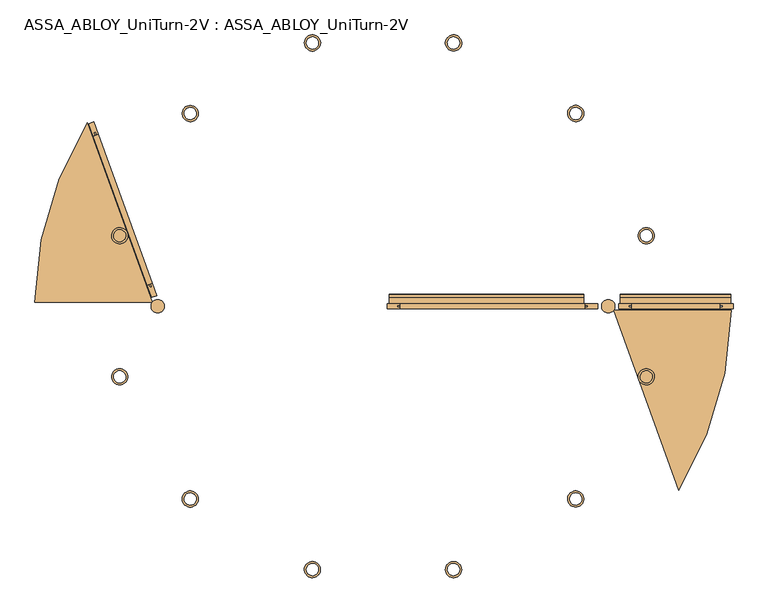
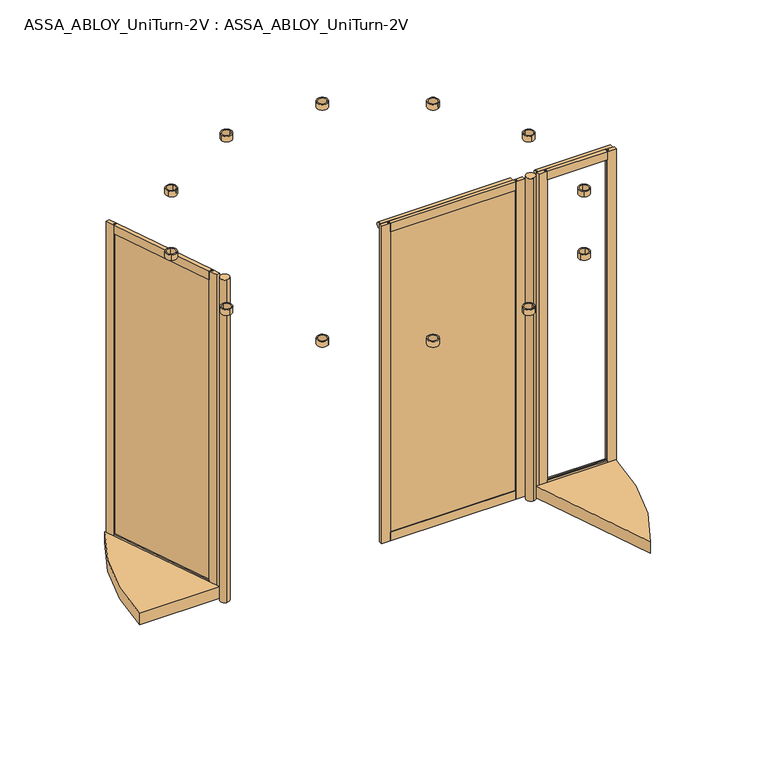
"""IFC4 building model written with IfcOpenShell, lengths in millimetres: door geometry, ASSA_ABLOY_UniTurn-2V : ASSA_ABLOY_UniTurn-2V."""

from ifc_helpers import new_model, si_unit, point, frame, frame_2d, origin, origin_with_axes, place, context, project, spatial, polyline, circle_curve, trimmed, segment, composite_curve, outline, extrude, source, transform, mapped, element, save


def assa_abloy_uniturn_2v_assa_abloy_uniturn_2v_79593515(model_context):
    return source(origin(), model_context, "Body", "SweptSolid", [
        extrude(outline(polyline([(-13.0, 2486.0), (13.0, 2486.0), (13.0, 2421.0), (5.0, 2421.0), (5.0, 2436.0), (-5.0, 2436.0), (-5.0, 2421.0), (-13.0, 2421.0), (-13.0, 2486.0)])), frame((1356.6, 0.0, 0.0), z_axis=(1.0, 0.0, 0.0), x_axis=(0.0, 1.0, 0.0)), (0.0, 0.0, 1.0), 437.4),
        extrude(outline(polyline([(13.0, 105.0), (13.0, 40.0), (-13.0, 40.0), (-13.0, 105.0), (-5.0, 105.0), (-5.0, 90.0), (5.0, 90.0), (5.0, 105.0), (13.0, 105.0)])), frame((1356.6, 0.0, 0.0), z_axis=(1.0, 0.0, 0.0), x_axis=(0.0, 1.0, 0.0)), (0.0, 0.0, 1.0), 437.4),
        extrude(outline(polyline([(1794.0, 13.0), (1859.0, 13.0), (1859.0, -13.0), (1794.0, -13.0), (1794.0, -5.0), (1809.0, -5.0), (1809.0, 5.0), (1794.0, 5.0), (1794.0, 13.0)])), frame((0.0, 0.0, 40.0), z_axis=(0.0, 0.0, 1.0), x_axis=(1.0, 0.0, 0.0)), (0.0, 0.0, 1.0), 2446.0),
        extrude(outline(polyline([(1356.6, 13.0), (1356.6, 5.0), (1341.6, 5.0), (1341.6, -5.0), (1356.6, -5.0), (1356.6, -13.0), (1291.6, -13.0), (1291.6, 13.0), (1356.6, 13.0)])), frame((0.0, 0.0, 40.0), z_axis=(0.0, 0.0, 1.0), x_axis=(1.0, 0.0, 0.0)), (0.0, 0.0, 1.0), 2446.0),
        extrude(outline(polyline([(13.0, 2486.0), (42.9913329, 2486.0), (42.9913329, 2483.0), (15.9913329, 2483.0), (15.9913329, 2437.8850542), (13.0, 2437.8850542), (13.0, 2486.0)])), frame((1300.6, 0.0, 0.0), z_axis=(1.0, 0.0, 0.0), x_axis=(0.0, 1.0, 0.0)), (0.0, 0.0, 1.0), 547.4),
        extrude(outline(composite_curve([segment(trimmed(circle_curve(frame_2d((49.9982937, 2460.5)), 10.0), [point((59.546092, 2463.4731378))], [point((59.546092, 2457.5268622))], False, "CARTESIAN"), True, "CONTINUOUS"), segment(trimmed(circle_curve(frame_2d((32.8695926, 2465.8337939)), 27.9399487), [point((59.546092, 2457.5268622))], [point((57.511364, 2452.6647456))], False, "CARTESIAN"), True, "CONTINUOUS"), segment(trimmed(circle_curve(frame_2d((32.8695926, 2465.8337939)), 27.9399487), [point((57.511364, 2452.6647456))], [point((35.3028312, 2438.0))], False, "CARTESIAN"), True, "CONTINUOUS"), segment(polyline([(35.3028312, 2438.0), (15.9913329, 2438.0), (15.9913329, 2483.0), (35.3028312, 2483.0)]), True, "CONTINUOUS"), segment(trimmed(circle_curve(frame_2d((32.8695926, 2455.1662061)), 27.9399487), [point((35.3028312, 2483.0))], [point((59.546092, 2463.4731378))], False, "CARTESIAN"), True, "CONTINUOUS")], self_intersect=False)), frame((1300.6, 0.0, 0.0), z_axis=(1.0, 0.0, 0.0), x_axis=(0.0, 1.0, 0.0)), (0.0, 0.0, 1.0), 547.4),
        extrude(outline(polyline([(-1020.3259997, 96.5821419), (-1029.7294749, 93.1799876), (-1307.1859526, 860.0632177), (-1297.7824774, 863.465372), (-1020.3259997, 96.5821419)])), frame((0.0, 0.0, 90.0), z_axis=(0.0, 0.0, 1.0), x_axis=(1.0, 0.0, 0.0)), (0.0, 0.0, 1.0), 2346.0),
        extrude(outline(polyline([(-26.0, 0.0), (0.0, 0.0), (0.0, -65.0), (-8.0, -65.0), (-8.0, -50.0), (-18.0, -50.0), (-18.0, -65.0), (-26.0, -65.0), (-26.0, 0.0)])), frame((-1042.3554865, 104.5634769, 2486.0), z_axis=(-0.3402154337922676, 0.9403475201272875, 0.0), x_axis=(-0.9403475201272875, -0.3402154337922676, 0.0)), (0.0, 0.0, 1.0), 785.5317195),
        extrude(outline(polyline([(-65.0, 0.0), (0.0, 0.0), (0.0, -26.0), (-65.0, -26.0), (-65.0, -18.0), (-50.0, -18.0), (-50.0, -8.0), (-65.0, -8.0), (-65.0, 0.0)])), frame((-1042.3554865, 104.5634769, 40.0), z_axis=(-0.3402154337922676, 0.9403475201272875, 0.0), x_axis=(0.0, 0.0, -1.0)), (0.0, 0.0, 1.0), 785.5317195),
        extrude(outline(polyline([(-1042.3554865, 104.5634769), (-1034.8327064, 107.2852004), (-1029.7294749, 93.1799876), (-1020.3259997, 96.5821419), (-1025.4292312, 110.6873548), (-1017.906451, 113.4090782), (-995.7924478, 52.2864894), (-1020.2414833, 43.4408881), (-1042.3554865, 104.5634769)])), frame((0.0, 0.0, 40.0), z_axis=(0.0, 0.0, 1.0), x_axis=(1.0, 0.0, 0.0)), (0.0, 0.0, 1.0), 2446.0),
        extrude(outline(polyline([(-1309.6055013, 843.2362814), (-1331.7195045, 904.3588702), (-1307.2704689, 913.2044715), (-1285.1564657, 852.0818827), (-1292.6792459, 849.3601592), (-1297.7824774, 863.465372), (-1307.1859526, 860.0632177), (-1302.0827211, 845.9580049), (-1309.6055013, 843.2362814)])), frame((0.0, 0.0, 40.0), z_axis=(0.0, 0.0, 1.0), x_axis=(1.0, 0.0, 0.0)), (0.0, 0.0, 1.0), 2446.0),
        extrude(outline(polyline([(1139.8, -5.0), (195.85, -5.0), (195.85, 5.0), (1139.8, 5.0), (1139.8, -5.0)])), frame((0.0, 0.0, 90.0), z_axis=(0.0, 0.0, 1.0), x_axis=(1.0, 0.0, 0.0)), (0.0, 0.0, 1.0), 2346.0),
        extrude(outline(polyline([(-13.0, 2486.0), (13.0, 2486.0), (13.0, 2421.0), (5.0, 2421.0), (5.0, 2436.0), (-5.0, 2436.0), (-5.0, 2421.0), (-13.0, 2421.0), (-13.0, 2486.0)])), frame((210.85, 0.0, 0.0), z_axis=(1.0, 0.0, 0.0), x_axis=(0.0, 1.0, 0.0)), (0.0, 0.0, 1.0), 913.95),
        extrude(outline(polyline([(13.0, 105.0), (13.0, 40.0), (-13.0, 40.0), (-13.0, 105.0), (-5.0, 105.0), (-5.0, 90.0), (5.0, 90.0), (5.0, 105.0), (13.0, 105.0)])), frame((210.85, 0.0, 0.0), z_axis=(1.0, 0.0, 0.0), x_axis=(0.0, 1.0, 0.0)), (0.0, 0.0, 1.0), 913.95),
        extrude(outline(polyline([(1124.8, 13.0), (1189.8, 13.0), (1189.8, -13.0), (1124.8, -13.0), (1124.8, -5.0), (1139.8, -5.0), (1139.8, 5.0), (1124.8, 5.0), (1124.8, 13.0)])), frame((0.0, 0.0, 40.0), z_axis=(0.0, 0.0, 1.0), x_axis=(1.0, 0.0, 0.0)), (0.0, 0.0, 1.0), 2446.0),
        extrude(outline(polyline([(210.85, 13.0), (210.85, 5.0), (195.85, 5.0), (195.85, -5.0), (210.85, -5.0), (210.85, -13.0), (145.85, -13.0), (145.85, 13.0), (210.85, 13.0)])), frame((0.0, 0.0, 40.0), z_axis=(0.0, 0.0, 1.0), x_axis=(1.0, 0.0, 0.0)), (0.0, 0.0, 1.0), 2446.0),
        extrude(outline(polyline([(13.0, 2486.0), (42.9913329, 2486.0), (42.9913329, 2483.0), (15.9913329, 2483.0), (15.9913329, 2437.8850542), (13.0, 2437.8850542), (13.0, 2486.0)])), frame((154.85, 0.0, 0.0), z_axis=(1.0, 0.0, 0.0), x_axis=(0.0, 1.0, 0.0)), (0.0, 0.0, 1.0), 964.68),
        extrude(outline(composite_curve([segment(trimmed(circle_curve(frame_2d((49.9982937, 2460.5)), 10.0), [point((59.546092, 2463.4731378))], [point((59.546092, 2457.5268622))], False, "CARTESIAN"), True, "CONTINUOUS"), segment(trimmed(circle_curve(frame_2d((32.8695926, 2465.8337939)), 27.9399487), [point((59.546092, 2457.5268622))], [point((57.511364, 2452.6647456))], False, "CARTESIAN"), True, "CONTINUOUS"), segment(trimmed(circle_curve(frame_2d((32.8695926, 2465.8337939)), 27.9399487), [point((57.511364, 2452.6647456))], [point((35.3028312, 2438.0))], False, "CARTESIAN"), True, "CONTINUOUS"), segment(polyline([(35.3028312, 2438.0), (15.9913329, 2438.0), (15.9913329, 2483.0), (35.3028312, 2483.0)]), True, "CONTINUOUS"), segment(trimmed(circle_curve(frame_2d((32.8695926, 2455.1662061)), 27.9399487), [point((35.3028312, 2483.0))], [point((59.546092, 2463.4731378))], False, "CARTESIAN"), True, "CONTINUOUS")], self_intersect=False)), frame((154.85, 0.0, 0.0), z_axis=(1.0, 0.0, 0.0), x_axis=(0.0, 1.0, 0.0)), (0.0, 0.0, 1.0), 964.68),
        extrude(outline(composite_curve([segment(trimmed(circle_curve(frame_2d((125.0, 0.0)), 1724.0), [point((1848.8839868, -20.0))], [point((1589.1470738, -910.1919283))], False, "CARTESIAN"), True, "CONTINUOUS"), segment(polyline([(1589.1470738, -910.1919283), (1267.0778105, -20.0), (1848.8839868, -20.0)]), True, "CONTINUOUS")], self_intersect=False)), frame((0.0, 0.0, 8.0), z_axis=(0.0, 0.0, 1.0), x_axis=(1.0, 0.0, 0.0)), (0.0, 0.0, 1.0), 87.0),
        extrude(outline(composite_curve([segment(trimmed(circle_curve(frame_2d((125.0, 0.0)), 1724.0), [point((-1598.8839868, 20.0))], [point((-1339.1470738, 910.1919283))], False, "CARTESIAN"), True, "CONTINUOUS"), segment(polyline([(-1339.1470738, 910.1919283), (-1017.0778105, 20.0), (-1598.8839868, 20.0)]), True, "CONTINUOUS")], self_intersect=False)), frame((0.0, 0.0, 8.0), z_axis=(0.0, 0.0, 1.0), x_axis=(1.0, 0.0, 0.0)), (0.0, 0.0, 1.0), 87.0),
        extrude(outline(composite_curve([segment(trimmed(circle_curve(frame_2d((1240.7, 0.0)), 33.0), [point((1240.7, -33.0))], [point((1240.7, 33.0))], False, "CARTESIAN"), True, "CONTINUOUS"), segment(trimmed(circle_curve(frame_2d((1240.7, 0.0)), 33.0), [point((1240.7, 33.0))], [point((1240.7, -33.0))], False, "CARTESIAN"), True, "CONTINUOUS")], self_intersect=False)), origin_with_axes(), (0.0, 0.0, 1.0), 2486.0),
        extrude(outline(composite_curve([segment(trimmed(circle_curve(frame_2d((-990.7, 0.0)), 33.0), [point((-990.7, -33.0))], [point((-990.7, 33.0))], False, "CARTESIAN"), True, "CONTINUOUS"), segment(trimmed(circle_curve(frame_2d((-990.7, 0.0)), 33.0), [point((-990.7, 33.0))], [point((-990.7, -33.0))], False, "CARTESIAN"), True, "CONTINUOUS")], self_intersect=False)), origin_with_axes(), (0.0, 0.0, 1.0), 2486.0),
        extrude(outline(composite_curve([segment(trimmed(circle_curve(frame_2d((-829.5941546, -954.5941546)), 40.0), [point((-809.5941546, -989.2351708))], [point((-849.5941546, -919.9531385))], False, "CARTESIAN"), True, "CONTINUOUS"), segment(trimmed(circle_curve(frame_2d((-829.5941546, -954.5941546)), 40.0), [point((-849.5941546, -919.9531385))], [point((-809.5941546, -989.2351708))], False, "CARTESIAN"), True, "CONTINUOUS")], self_intersect=False), holes=[composite_curve([segment(trimmed(circle_curve(frame_2d((-829.5941546, -954.5941546)), 30.0), [point((-850.807358, -933.3809512))], [point((-808.3809512, -975.807358))], True, "CARTESIAN"), True, "CONTINUOUS"), segment(trimmed(circle_curve(frame_2d((-829.5941546, -954.5941546)), 30.0), [point((-808.3809512, -975.807358))], [point((-850.807358, -933.3809512))], True, "CARTESIAN"), True, "CONTINUOUS")], self_intersect=False)]), frame((0.0, 0.0, 2496.2), z_axis=(0.0, 0.0, 1.0), x_axis=(1.0, 0.0, 0.0)), (0.0, 0.0, 1.0), 42.8),
        extrude(outline(composite_curve([segment(trimmed(circle_curve(frame_2d((-1178.9998655, -349.4057109)), 40.0), [point((-1178.9998655, -389.4057109))], [point((-1178.9998655, -309.4057109))], False, "CARTESIAN"), True, "CONTINUOUS"), segment(trimmed(circle_curve(frame_2d((-1178.9998655, -349.4057109)), 40.0), [point((-1178.9998655, -309.4057109))], [point((-1178.9998655, -389.4057109))], False, "CARTESIAN"), True, "CONTINUOUS")], self_intersect=False), holes=[composite_curve([segment(trimmed(circle_curve(frame_2d((-1178.9998655, -349.4057109)), 30.0), [point((-1186.7644368, -320.4279361))], [point((-1171.2352941, -378.3834857))], True, "CARTESIAN"), True, "CONTINUOUS"), segment(trimmed(circle_curve(frame_2d((-1178.9998655, -349.4057109)), 30.0), [point((-1171.2352941, -378.3834857))], [point((-1186.7644368, -320.4279361))], True, "CARTESIAN"), True, "CONTINUOUS")], self_intersect=False)]), frame((0.0, 0.0, 2496.2), z_axis=(0.0, 0.0, 1.0), x_axis=(1.0, 0.0, 0.0)), (0.0, 0.0, 1.0), 42.8),
        extrude(outline(composite_curve([segment(trimmed(circle_curve(frame_2d((-1178.9998655, 349.4057109)), 40.0), [point((-1198.9998655, 314.7646947))], [point((-1158.9998655, 384.046727))], False, "CARTESIAN"), True, "CONTINUOUS"), segment(trimmed(circle_curve(frame_2d((-1178.9998655, 349.4057109)), 40.0), [point((-1158.9998655, 384.046727))], [point((-1198.9998655, 314.7646947))], False, "CARTESIAN"), True, "CONTINUOUS")], self_intersect=False), holes=[composite_curve([segment(trimmed(circle_curve(frame_2d((-1178.9998655, 349.4057109)), 30.0), [point((-1171.2352941, 378.3834857))], [point((-1186.7644368, 320.4279361))], True, "CARTESIAN"), True, "CONTINUOUS"), segment(trimmed(circle_curve(frame_2d((-1178.9998655, 349.4057109)), 30.0), [point((-1186.7644368, 320.4279361))], [point((-1171.2352941, 378.3834857))], True, "CARTESIAN"), True, "CONTINUOUS")], self_intersect=False)]), frame((0.0, 0.0, 2496.2), z_axis=(0.0, 0.0, 1.0), x_axis=(1.0, 0.0, 0.0)), (0.0, 0.0, 1.0), 42.8),
        extrude(outline(composite_curve([segment(trimmed(circle_curve(frame_2d((-829.5941546, 954.5941546)), 40.0), [point((-864.2351708, 934.5941546))], [point((-794.9531385, 974.5941546))], False, "CARTESIAN"), True, "CONTINUOUS"), segment(trimmed(circle_curve(frame_2d((-829.5941546, 954.5941546)), 40.0), [point((-794.9531385, 974.5941546))], [point((-864.2351708, 934.5941546))], False, "CARTESIAN"), True, "CONTINUOUS")], self_intersect=False), holes=[composite_curve([segment(trimmed(circle_curve(frame_2d((-829.5941546, 954.5941546)), 30.0), [point((-808.3809512, 975.807358))], [point((-850.807358, 933.3809512))], True, "CARTESIAN"), True, "CONTINUOUS"), segment(trimmed(circle_curve(frame_2d((-829.5941546, 954.5941546)), 30.0), [point((-850.807358, 933.3809512))], [point((-808.3809512, 975.807358))], True, "CARTESIAN"), True, "CONTINUOUS")], self_intersect=False)]), frame((0.0, 0.0, 2496.2), z_axis=(0.0, 0.0, 1.0), x_axis=(1.0, 0.0, 0.0)), (0.0, 0.0, 1.0), 42.8),
        extrude(outline(composite_curve([segment(trimmed(circle_curve(frame_2d((-224.4057109, 1303.9998655)), 40.0), [point((-264.4057109, 1303.9998655))], [point((-184.4057109, 1303.9998655))], False, "CARTESIAN"), True, "CONTINUOUS"), segment(trimmed(circle_curve(frame_2d((-224.4057109, 1303.9998655)), 40.0), [point((-184.4057109, 1303.9998655))], [point((-264.4057109, 1303.9998655))], False, "CARTESIAN"), True, "CONTINUOUS")], self_intersect=False), holes=[composite_curve([segment(trimmed(circle_curve(frame_2d((-224.4057109, 1303.9998655)), 30.0), [point((-195.4279361, 1311.7644368))], [point((-253.3834857, 1296.2352941))], True, "CARTESIAN"), True, "CONTINUOUS"), segment(trimmed(circle_curve(frame_2d((-224.4057109, 1303.9998655)), 30.0), [point((-253.3834857, 1296.2352941))], [point((-195.4279361, 1311.7644368))], True, "CARTESIAN"), True, "CONTINUOUS")], self_intersect=False)]), frame((0.0, 0.0, 2496.2), z_axis=(0.0, 0.0, 1.0), x_axis=(1.0, 0.0, 0.0)), (0.0, 0.0, 1.0), 42.8),
        extrude(outline(composite_curve([segment(trimmed(circle_curve(frame_2d((474.4057109, 1303.9998655)), 40.0), [point((439.7646947, 1323.9998655))], [point((509.046727, 1283.9998655))], False, "CARTESIAN"), True, "CONTINUOUS"), segment(trimmed(circle_curve(frame_2d((474.4057109, 1303.9998655)), 40.0), [point((509.046727, 1283.9998655))], [point((439.7646947, 1323.9998655))], False, "CARTESIAN"), True, "CONTINUOUS")], self_intersect=False), holes=[composite_curve([segment(trimmed(circle_curve(frame_2d((474.4057109, 1303.9998655)), 30.0), [point((503.3834857, 1296.2352941))], [point((445.4279361, 1311.7644368))], True, "CARTESIAN"), True, "CONTINUOUS"), segment(trimmed(circle_curve(frame_2d((474.4057109, 1303.9998655)), 30.0), [point((445.4279361, 1311.7644368))], [point((503.3834857, 1296.2352941))], True, "CARTESIAN"), True, "CONTINUOUS")], self_intersect=False)]), frame((0.0, 0.0, 2496.2), z_axis=(0.0, 0.0, 1.0), x_axis=(1.0, 0.0, 0.0)), (0.0, 0.0, 1.0), 42.8),
        extrude(outline(composite_curve([segment(trimmed(circle_curve(frame_2d((1079.5941546, 954.5941546)), 40.0), [point((1059.5941546, 989.2351708))], [point((1099.5941546, 919.9531385))], False, "CARTESIAN"), True, "CONTINUOUS"), segment(trimmed(circle_curve(frame_2d((1079.5941546, 954.5941546)), 40.0), [point((1099.5941546, 919.9531385))], [point((1059.5941546, 989.2351708))], False, "CARTESIAN"), True, "CONTINUOUS")], self_intersect=False), holes=[composite_curve([segment(trimmed(circle_curve(frame_2d((1079.5941546, 954.5941546)), 30.0), [point((1100.807358, 933.3809512))], [point((1058.3809512, 975.807358))], True, "CARTESIAN"), True, "CONTINUOUS"), segment(trimmed(circle_curve(frame_2d((1079.5941546, 954.5941546)), 30.0), [point((1058.3809512, 975.807358))], [point((1100.807358, 933.3809512))], True, "CARTESIAN"), True, "CONTINUOUS")], self_intersect=False)]), frame((0.0, 0.0, 2496.2), z_axis=(0.0, 0.0, 1.0), x_axis=(1.0, 0.0, 0.0)), (0.0, 0.0, 1.0), 42.8),
        extrude(outline(composite_curve([segment(trimmed(circle_curve(frame_2d((1428.9998655, 349.4057109)), 40.0), [point((1428.9998655, 389.4057109))], [point((1428.9998655, 309.4057109))], False, "CARTESIAN"), True, "CONTINUOUS"), segment(trimmed(circle_curve(frame_2d((1428.9998655, 349.4057109)), 40.0), [point((1428.9998655, 309.4057109))], [point((1428.9998655, 389.4057109))], False, "CARTESIAN"), True, "CONTINUOUS")], self_intersect=False), holes=[composite_curve([segment(trimmed(circle_curve(frame_2d((1428.9998655, 349.4057109)), 30.0), [point((1436.7644368, 320.4279361))], [point((1421.2352941, 378.3834857))], True, "CARTESIAN"), True, "CONTINUOUS"), segment(trimmed(circle_curve(frame_2d((1428.9998655, 349.4057109)), 30.0), [point((1421.2352941, 378.3834857))], [point((1436.7644368, 320.4279361))], True, "CARTESIAN"), True, "CONTINUOUS")], self_intersect=False)]), frame((0.0, 0.0, 2496.2), z_axis=(0.0, 0.0, 1.0), x_axis=(1.0, 0.0, 0.0)), (0.0, 0.0, 1.0), 42.8),
        extrude(outline(composite_curve([segment(trimmed(circle_curve(frame_2d((1428.9998655, -349.4057109)), 40.0), [point((1448.9998655, -314.7646947))], [point((1408.9998655, -384.046727))], False, "CARTESIAN"), True, "CONTINUOUS"), segment(trimmed(circle_curve(frame_2d((1428.9998655, -349.4057109)), 40.0), [point((1408.9998655, -384.046727))], [point((1448.9998655, -314.7646947))], False, "CARTESIAN"), True, "CONTINUOUS")], self_intersect=False), holes=[composite_curve([segment(trimmed(circle_curve(frame_2d((1428.9998655, -349.4057109)), 30.0), [point((1421.2352941, -378.3834857))], [point((1436.7644368, -320.4279361))], True, "CARTESIAN"), True, "CONTINUOUS"), segment(trimmed(circle_curve(frame_2d((1428.9998655, -349.4057109)), 30.0), [point((1436.7644368, -320.4279361))], [point((1421.2352941, -378.3834857))], True, "CARTESIAN"), True, "CONTINUOUS")], self_intersect=False)]), frame((0.0, 0.0, 2496.2), z_axis=(0.0, 0.0, 1.0), x_axis=(1.0, 0.0, 0.0)), (0.0, 0.0, 1.0), 42.8),
        extrude(outline(composite_curve([segment(trimmed(circle_curve(frame_2d((1079.5941546, -954.5941546)), 40.0), [point((1114.2351708, -934.5941546))], [point((1044.9531385, -974.5941546))], False, "CARTESIAN"), True, "CONTINUOUS"), segment(trimmed(circle_curve(frame_2d((1079.5941546, -954.5941546)), 40.0), [point((1044.9531385, -974.5941546))], [point((1114.2351708, -934.5941546))], False, "CARTESIAN"), True, "CONTINUOUS")], self_intersect=False), holes=[composite_curve([segment(trimmed(circle_curve(frame_2d((1079.5941546, -954.5941546)), 30.0), [point((1058.3809512, -975.807358))], [point((1100.807358, -933.3809512))], True, "CARTESIAN"), True, "CONTINUOUS"), segment(trimmed(circle_curve(frame_2d((1079.5941546, -954.5941546)), 30.0), [point((1100.807358, -933.3809512))], [point((1058.3809512, -975.807358))], True, "CARTESIAN"), True, "CONTINUOUS")], self_intersect=False)]), frame((0.0, 0.0, 2496.2), z_axis=(0.0, 0.0, 1.0), x_axis=(1.0, 0.0, 0.0)), (0.0, 0.0, 1.0), 42.8),
        extrude(outline(composite_curve([segment(trimmed(circle_curve(frame_2d((474.4057109, -1303.9998655)), 40.0), [point((514.4057109, -1303.9998655))], [point((434.4057109, -1303.9998655))], False, "CARTESIAN"), True, "CONTINUOUS"), segment(trimmed(circle_curve(frame_2d((474.4057109, -1303.9998655)), 40.0), [point((434.4057109, -1303.9998655))], [point((514.4057109, -1303.9998655))], False, "CARTESIAN"), True, "CONTINUOUS")], self_intersect=False), holes=[composite_curve([segment(trimmed(circle_curve(frame_2d((474.4057109, -1303.9998655)), 30.0), [point((445.4279361, -1311.7644368))], [point((503.3834857, -1296.2352941))], True, "CARTESIAN"), True, "CONTINUOUS"), segment(trimmed(circle_curve(frame_2d((474.4057109, -1303.9998655)), 30.0), [point((503.3834857, -1296.2352941))], [point((445.4279361, -1311.7644368))], True, "CARTESIAN"), True, "CONTINUOUS")], self_intersect=False)]), frame((0.0, 0.0, 2496.2), z_axis=(0.0, 0.0, 1.0), x_axis=(1.0, 0.0, 0.0)), (0.0, 0.0, 1.0), 42.8),
        extrude(outline(composite_curve([segment(trimmed(circle_curve(frame_2d((-224.4057109, -1303.9998655)), 40.0), [point((-189.7646947, -1323.9998655))], [point((-259.046727, -1283.9998655))], False, "CARTESIAN"), True, "CONTINUOUS"), segment(trimmed(circle_curve(frame_2d((-224.4057109, -1303.9998655)), 40.0), [point((-259.046727, -1283.9998655))], [point((-189.7646947, -1323.9998655))], False, "CARTESIAN"), True, "CONTINUOUS")], self_intersect=False), holes=[composite_curve([segment(trimmed(circle_curve(frame_2d((-224.4057109, -1303.9998655)), 30.0), [point((-253.3834857, -1296.2352941))], [point((-195.4279361, -1311.7644368))], True, "CARTESIAN"), True, "CONTINUOUS"), segment(trimmed(circle_curve(frame_2d((-224.4057109, -1303.9998655)), 30.0), [point((-195.4279361, -1311.7644368))], [point((-253.3834857, -1296.2352941))], True, "CARTESIAN"), True, "CONTINUOUS")], self_intersect=False)]), frame((0.0, 0.0, 2496.2), z_axis=(0.0, 0.0, 1.0), x_axis=(1.0, 0.0, 0.0)), (0.0, 0.0, 1.0), 42.8),
    ])


if __name__ == "__main__":
    model = new_model("IFC4")
    model_context = context("Model", 3, world=origin())
    ifc_project = project(units=[si_unit("LENGTHUNIT", "METRE", prefix="MILLI")], contexts=[model_context])
    site = spatial("IfcSite", under=ifc_project)
    building = spatial("IfcBuilding", under=site)
    placement = place(None, origin())
    assa_abloy_uniturn_2v_assa_abloy_uniturn_2v_shape = assa_abloy_uniturn_2v_assa_abloy_uniturn_2v_79593515(model_context)
    element("IfcDoor", 1, ObjectType="ASSA_ABLOY_UniTurn-2V : ASSA_ABLOY_UniTurn-2V", at=placement, inside=building, context=model_context, shape_type="MappedRepresentation", body=[
        mapped(assa_abloy_uniturn_2v_assa_abloy_uniturn_2v_shape, transform((0.0, 0.0, 0.0), x_axis=(1.0, 0.0, 0.0), y_axis=(0.0, 1.0, 0.0), z_axis=(0.0, 0.0, 1.0))),
    ])
    save(model, "model.ifc")
